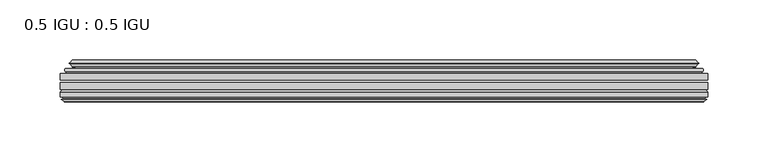
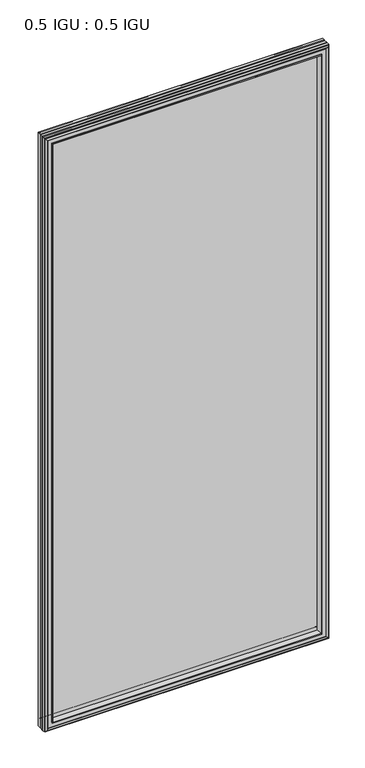
"""IFC4 building model written with IfcOpenShell, lengths in millimetres: plate geometry, 0.5 IGU : 0.5 IGU."""

from ifc_helpers import new_model, si_unit, frame, origin, place, context, project, spatial, polyline, ellipse_curve, outline, extrude, faceted_brep, source, transform, mapped, element, save
from ifc_brep_helpers import plane_surface, cylinder_surface, revolved_surface, advanced_brep


def plate_0_5_igu_0_5_igu_cbfe774d(model_context):
    return source(origin(), model_context, "Body", "SolidModel", [
        extrude(outline(polyline([(268.301675, -55.82285), (268.301675, -61.48705), (-268.2875, -61.48705), (-268.2875, -55.82285), (268.301675, -55.82285)])), frame((0.0, 0.0, -14.2875), z_axis=(0.0, 0.0, 1.0), x_axis=(1.0, 0.0, 0.0)), (0.0, 0.0, 1.0), 1184.2787979),
        extrude(outline(polyline([(-268.2875, -69.05625), (-268.2875, -63.39205), (268.301675, -63.39205), (268.301675, -69.05625), (-268.2875, -69.05625)])), frame((0.0, 0.0, -14.2875), z_axis=(0.0, 0.0, 1.0), x_axis=(1.0, 0.0, 0.0)), (0.0, 0.0, 1.0), 1184.2787979),
        advanced_brep(
        [(-264.1849626, -54.3724927, 1165.8849626), (-263.1404378, -51.60645, 1164.8404378), (-263.1404378, -51.60645, -9.1404378), (-264.1849626, -54.3724927, -10.1849626), (-262.548517, -55.82285, 1164.248517), (-262.548517, -55.82285, -8.548517), (-254.0, -45.63745, 1155.7), (-250.4172761, -55.82285, 1152.1172761), (-250.4172761, -55.82285, 3.5827239), (-254.0, -45.63745, 0.0), (-259.1859109, -46.8185491, 1160.8859109), (-259.1859109, -46.8185491, -5.1859109), (-258.3888893, -44.8183085, 1160.0888893), (-258.3888893, -44.8183085, -4.3888893), (-260.6726111, -47.135817, 1162.3726111), (-260.6726111, -47.135817, -6.6726111), (-260.6726111, -47.8489429, 1162.3726111), (-260.6726111, -47.8489429, -6.6726111), (-258.3888893, -50.1664515, 1160.0888893), (-258.3888893, -50.1664515, -4.3888893), (-259.1782501, -48.1854367, 1160.8782501), (-259.1782501, -48.1854367, -5.1782501), (-256.6544379, -48.027045, 1158.3544379), (-256.6544379, -48.027045, -2.6544379), (-255.6286217, -48.7147544, 1157.3286217), (-255.6286217, -48.7147544, -1.6286217), (-255.7470288, -50.1092231, 1157.4470288), (-255.7470288, -50.1092231, -1.7470288), (-256.3487748, -51.60645, 1158.0487748), (-256.3487748, -51.60645, -2.3487748), (263.1404378, -51.60645, -9.1404378), (264.1849626, -54.3724927, -10.1849626), (262.548517, -55.82285, -8.548517), (250.4172761, -55.82285, 3.5827239), (254.0, -45.63745, 0.0), (259.1859109, -46.8185491, -5.1859109), (258.3888893, -44.8183085, -4.3888893), (260.6726111, -47.135817, -6.6726111), (260.6726111, -47.8489429, -6.6726111), (258.3888893, -50.1664515, -4.3888893), (259.1782501, -48.1854367, -5.1782501), (256.6544379, -48.027045, -2.6544379), (255.6286217, -48.7147544, -1.6286217), (255.7470288, -50.1092231, -1.7470288), (256.3487748, -51.60645, -2.3487748), (263.1404378, -51.60645, 1164.8404378), (264.1849626, -54.3724927, 1165.8849626), (262.548517, -55.82285, 1164.248517), (250.4172761, -55.82285, 1152.1172761), (254.0, -45.63745, 1155.7), (259.1859109, -46.8185491, 1160.8859109), (258.3888893, -44.8183085, 1160.0888893), (260.6726111, -47.135817, 1162.3726111), (260.6726111, -47.8489429, 1162.3726111), (258.3888893, -50.1664515, 1160.0888893), (259.1782501, -48.1854367, 1160.8782501), (256.6544379, -48.027045, 1158.3544379), (255.6286217, -48.7147544, 1157.3286217), (255.7470288, -50.1092231, 1157.4470288), (256.3487748, -51.60645, 1158.0487748)],
        [
            (0, 1, ellipse_curve(frame((-263.1320703, -53.1898501, 1164.8320703), z_axis=(-0.7071067811865475, 0.0, -0.7071067811865475), x_axis=(-0.7071067811865474, 0.0, 0.7071067811865476)), 2.2392971, 1.5834222)),
            (1, 2),
            (2, 3, ellipse_curve(frame((-263.1320703, -53.1898501, -9.1320703), z_axis=(-0.7071067811865475, 0.0, 0.7071067811865475), x_axis=(0.7071067811865474, 0.0, 0.7071067811865476)), 2.2392971, 1.5834222)),
            (3, 0),
            (4, 0),
            (3, 5),
            (5, 4),
            (6, 7, ellipse_curve(frame((-221.720246, -40.0058297, 1123.420246), z_axis=(0.7071067811865475, 0.0, 0.7071067811865475), x_axis=(0.7071067811865474, 0.0, -0.7071067811865476)), 46.3399971, 32.7673262)),
            (7, 8),
            (8, 9, ellipse_curve(frame((-221.720246, -40.0058297, 32.279754), z_axis=(0.7071067811865475, 0.0, -0.7071067811865475), x_axis=(-0.7071067811865474, 0.0, -0.7071067811865476)), 46.3399971, 32.7673262)),
            (9, 6),
            (10, 6),
            (9, 11),
            (11, 10),
            (12, 10),
            (11, 13),
            (13, 12),
            (14, 12),
            (13, 15),
            (15, 14),
            (16, 14, ellipse_curve(frame((-260.3107729, -47.49238, 1162.0107729), z_axis=(-0.7071067811865475, 0.0, -0.7071067811865475), x_axis=(-0.7071067811865474, 0.0, 0.7071067811865476)), 0.7184205, 0.508)),
            (15, 17, ellipse_curve(frame((-260.3107729, -47.49238, -6.3107729), z_axis=(-0.7071067811865475, 0.0, 0.7071067811865475), x_axis=(0.7071067811865474, 0.0, 0.7071067811865476)), 0.7184205, 0.508)),
            (17, 16),
            (18, 16),
            (17, 19),
            (19, 18),
            (20, 18),
            (19, 21),
            (21, 20),
            (22, 20),
            (21, 23),
            (23, 22),
            (24, 22, ellipse_curve(frame((-256.5908, -49.04105, 1158.2908), z_axis=(0.7071067811865475, 0.0, 0.7071067811865475), x_axis=(0.7071067811865474, 0.0, -0.7071067811865476)), 1.436841, 1.016)),
            (23, 25, ellipse_curve(frame((-256.5908, -49.04105, -2.5908), z_axis=(0.7071067811865475, 0.0, -0.7071067811865475), x_axis=(-0.7071067811865474, 0.0, -0.7071067811865476)), 1.436841, 1.016)),
            (25, 24),
            (26, 24, ellipse_curve(frame((-257.9624, -49.21885, 1159.6624), z_axis=(0.7071067811865475, 0.0, 0.7071067811865475), x_axis=(0.7071067811865474, 0.0, -0.7071067811865476)), 3.3765763, 2.3876)),
            (25, 27, ellipse_curve(frame((-257.9624, -49.21885, -3.9624), z_axis=(0.7071067811865475, 0.0, -0.7071067811865475), x_axis=(-0.7071067811865474, 0.0, -0.7071067811865476)), 3.3765763, 2.3876)),
            (27, 26),
            (28, 26),
            (27, 29),
            (29, 28),
            (2, 30),
            (30, 31, ellipse_curve(frame((263.1320703, -53.1898501, -9.1320703), z_axis=(-0.7071067811865475, 0.0, -0.7071067811865475), x_axis=(-0.7071067811865476, 0.0, 0.7071067811865474)), 2.2392971, 1.5834222)),
            (31, 3),
            (31, 32),
            (32, 5),
            (8, 33),
            (33, 34, ellipse_curve(frame((221.720246, -40.0058297, 32.279754), z_axis=(0.7071067811865475, 0.0, 0.7071067811865475), x_axis=(0.7071067811865476, 0.0, -0.7071067811865474)), 46.3399971, 32.7673262)),
            (34, 9),
            (34, 35),
            (35, 11),
            (35, 36),
            (36, 13),
            (36, 37),
            (37, 15),
            (37, 38, ellipse_curve(frame((260.3107729, -47.49238, -6.3107729), z_axis=(-0.7071067811865475, 0.0, -0.7071067811865475), x_axis=(-0.7071067811865476, 0.0, 0.7071067811865474)), 0.7184205, 0.508)),
            (38, 17),
            (38, 39),
            (39, 19),
            (39, 40),
            (40, 21),
            (40, 41),
            (41, 23),
            (41, 42, ellipse_curve(frame((256.5908, -49.04105, -2.5908), z_axis=(0.7071067811865475, 0.0, 0.7071067811865475), x_axis=(0.7071067811865476, 0.0, -0.7071067811865474)), 1.436841, 1.016)),
            (42, 25),
            (42, 43, ellipse_curve(frame((257.9624, -49.21885, -3.9624), z_axis=(0.7071067811865475, 0.0, 0.7071067811865475), x_axis=(0.7071067811865476, 0.0, -0.7071067811865474)), 3.3765763, 2.3876)),
            (43, 27),
            (43, 44),
            (44, 29),
            (30, 45),
            (45, 46, ellipse_curve(frame((263.1320703, -53.1898501, 1164.8320703), z_axis=(0.7071067811865475, 0.0, -0.7071067811865475), x_axis=(-0.7071067811865474, 0.0, -0.7071067811865476)), 2.2392971, 1.5834222)),
            (46, 31),
            (46, 47),
            (47, 32),
            (33, 48),
            (48, 49, ellipse_curve(frame((221.720246, -40.0058297, 1123.420246), z_axis=(-0.7071067811865475, 0.0, 0.7071067811865475), x_axis=(0.7071067811865474, 0.0, 0.7071067811865476)), 46.3399971, 32.7673262)),
            (49, 34),
            (49, 50),
            (50, 35),
            (50, 51),
            (51, 36),
            (51, 52),
            (52, 37),
            (52, 53, ellipse_curve(frame((260.3107729, -47.49238, 1162.0107729), z_axis=(0.7071067811865475, 0.0, -0.7071067811865475), x_axis=(-0.7071067811865474, 0.0, -0.7071067811865476)), 0.7184205, 0.508)),
            (53, 38),
            (53, 54),
            (54, 39),
            (54, 55),
            (55, 40),
            (55, 56),
            (56, 41),
            (56, 57, ellipse_curve(frame((256.5908, -49.04105, 1158.2908), z_axis=(-0.7071067811865475, 0.0, 0.7071067811865475), x_axis=(0.7071067811865474, 0.0, 0.7071067811865476)), 1.436841, 1.016)),
            (57, 42),
            (57, 58, ellipse_curve(frame((257.9624, -49.21885, 1159.6624), z_axis=(-0.7071067811865475, 0.0, 0.7071067811865475), x_axis=(0.7071067811865474, 0.0, 0.7071067811865476)), 3.3765763, 2.3876)),
            (58, 43),
            (58, 59),
            (59, 44),
            (45, 1),
            (0, 46),
            (4, 47),
            (7, 48),
            (6, 49),
            (10, 50),
            (12, 51),
            (14, 52),
            (16, 53),
            (18, 54),
            (20, 55),
            (22, 56),
            (24, 57),
            (26, 58),
            (28, 59),
        ],
        [
            cylinder_surface(frame((-263.1320703, -53.1898501, 1187.45), z_axis=(0.0, 0.0, 1.0), x_axis=(-1.0, 0.0, 0.0)), 1.5834222),
            plane_surface(frame((-264.1849626, -54.3724927, 1165.8849626), z_axis=(-0.6632745773184306, -0.7483761320907135, 0.0), x_axis=(0.0, 0.0, -1.0))),
            revolved_surface(polyline([(-254.4875722, -40.0058297, -0.48757218957507575), (-254.4875722, -40.0058297, 1156.187572189575)]), (-221.720246, -40.0058297, 1187.45), (0.0, 0.0, -1.0)),
            plane_surface(frame((-254.0, -45.63745, 1155.7), z_axis=(-0.2220649844278743, 0.975031867525902, 0.0), x_axis=(0.0, 0.0, -1.0))),
            plane_surface(frame((-259.1859109, -46.8185491, 1160.8859109), z_axis=(0.928968268563027, -0.37015936568323066, 0.0), x_axis=(0.0, 0.0, -1.0))),
            plane_surface(frame((-258.3888893, -44.8183085, 1160.0888893), z_axis=(-0.7122798501733482, 0.7018955869907096, 0.0), x_axis=(0.0, 0.0, -1.0))),
            cylinder_surface(frame((-260.3107729, -47.49238, 1187.45), z_axis=(0.0, 0.0, 1.0), x_axis=(-1.0, 0.0, 0.0)), 0.508),
            plane_surface(frame((-260.6726111, -47.8489429, 1162.3726111), z_axis=(-0.7122798501732925, -0.701895586990766, 0.0), x_axis=(0.0, 0.0, -1.0))),
            plane_surface(frame((-258.3888893, -50.1664515, 1160.0888893), z_axis=(0.9289682685628707, 0.3701593656836228, 0.0), x_axis=(0.0, 0.0, -1.0))),
            plane_surface(frame((-259.1782501, -48.1854367, 1160.8782501), z_axis=(0.0626357011928498, -0.9980364567169279, 0.0), x_axis=(0.0, 0.0, -1.0))),
            revolved_surface(polyline([(-257.6068, -49.04105, -3.6068000145867245), (-257.6068, -49.04105, 1159.3068000145868)]), (-256.5908, -49.04105, 1187.45), (0.0, 0.0, -1.0)),
            revolved_surface(polyline([(-260.35, -49.21885, -6.3499999989237494), (-260.35, -49.21885, 1162.0499999989238)]), (-257.9624, -49.21885, 1187.45), (0.0, 0.0, -1.0)),
            plane_surface(frame((-255.7470288, -50.1092231, 1157.4470288), z_axis=(-0.9278652925428184, 0.3729155385532094, 0.0), x_axis=(0.0, 0.0, -1.0))),
            cylinder_surface(frame((-285.75, -53.1898501, -9.1320703), z_axis=(-1.0, 0.0, 0.0), x_axis=(0.0, 0.0, -1.0)), 1.5834222),
            plane_surface(frame((-264.1849626, -54.3724927, -10.1849626), z_axis=(0.0, -0.7483761320907157, -0.6632745773184283), x_axis=(1.0, 0.0, 0.0))),
            revolved_surface(polyline([(254.48757218957496, -40.0058297, -0.48757220000000245), (-254.48757218957493, -40.0058297, -0.48757220000000245)]), (-285.75, -40.0058297, 32.279754), (1.0, 0.0, 0.0)),
            plane_surface(frame((-254.0, -45.63745, 0.0), z_axis=(0.0, 0.9750318675259013, -0.22206498442787745), x_axis=(1.0, 0.0, 0.0))),
            plane_surface(frame((-259.1859109, -46.8185491, -5.1859109), z_axis=(0.0, -0.37015936568322766, 0.9289682685630283), x_axis=(1.0, 0.0, 0.0))),
            plane_surface(frame((-258.3888893, -44.8183085, -4.3888893), z_axis=(0.0, 0.7018955869907073, -0.7122798501733504), x_axis=(1.0, 0.0, 0.0))),
            cylinder_surface(frame((-285.75, -47.49238, -6.3107729), z_axis=(-1.0, 0.0, 0.0), x_axis=(0.0, 0.0, -1.0)), 0.508),
            plane_surface(frame((-260.6726111, -47.8489429, -6.6726111), z_axis=(0.0, -0.7018955869907684, -0.7122798501732903), x_axis=(1.0, 0.0, 0.0))),
            plane_surface(frame((-258.3888893, -50.1664515, -4.3888893), z_axis=(0.0, 0.37015936568362584, 0.9289682685628696), x_axis=(1.0, 0.0, 0.0))),
            plane_surface(frame((-259.1782501, -48.1854367, -5.1782501), z_axis=(0.0, -0.9980364567169276, 0.06263570119285301), x_axis=(1.0, 0.0, 0.0))),
            revolved_surface(polyline([(257.60680001458684, -49.04105, -3.6068000000000002), (-257.60680001458684, -49.04105, -3.6068000000000002)]), (-285.75, -49.04105, -2.5908), (1.0, 0.0, 0.0)),
            revolved_surface(polyline([(260.34999999892375, -49.21885, -6.35), (-260.3499999989238, -49.21885, -6.35)]), (-285.75, -49.21885, -3.9624), (1.0, 0.0, 0.0)),
            plane_surface(frame((-255.7470288, -50.1092231, -1.7470288), z_axis=(0.0, 0.3729155385532064, -0.9278652925428196), x_axis=(1.0, 0.0, 0.0))),
            cylinder_surface(frame((263.1320703, -53.1898501, -31.75), z_axis=(0.0, 0.0, -1.0), x_axis=(1.0, 0.0, 0.0)), 1.5834222),
            plane_surface(frame((264.1849626, -54.3724927, -10.1849626), z_axis=(0.6632745773184259, -0.7483761320907178, 0.0), x_axis=(0.0, 0.0, 1.0))),
            revolved_surface(polyline([(254.4875722, -40.0058297, 1156.187572189575), (254.4875722, -40.0058297, -0.48757218957494075)]), (221.720246, -40.0058297, -31.75), (0.0, 0.0, 1.0)),
            plane_surface(frame((254.0, -45.63745, 0.0), z_axis=(0.22206498442788056, 0.9750318675259005, 0.0), x_axis=(0.0, 0.0, 1.0))),
            plane_surface(frame((259.1859109, -46.8185491, -5.1859109), z_axis=(-0.9289682685630295, -0.37015936568322466, 0.0), x_axis=(0.0, 0.0, 1.0))),
            plane_surface(frame((258.3888893, -44.8183085, -4.3888893), z_axis=(0.7122798501733526, 0.701895586990705, 0.0), x_axis=(0.0, 0.0, 1.0))),
            cylinder_surface(frame((260.3107729, -47.49238, -31.75), z_axis=(0.0, 0.0, -1.0), x_axis=(1.0, 0.0, 0.0)), 0.508),
            plane_surface(frame((260.6726111, -47.8489429, -6.6726111), z_axis=(0.712279850173288, -0.7018955869907706, 0.0), x_axis=(0.0, 0.0, 1.0))),
            plane_surface(frame((258.3888893, -50.1664515, -4.3888893), z_axis=(-0.9289682685628684, 0.37015936568362884, 0.0), x_axis=(0.0, 0.0, 1.0))),
            plane_surface(frame((259.1782501, -48.1854367, -5.1782501), z_axis=(-0.06263570119285623, -0.9980364567169274, 0.0), x_axis=(0.0, 0.0, 1.0))),
            revolved_surface(polyline([(257.6068, -49.04105, 1159.3068000145868), (257.6068, -49.04105, -3.606800014586863)]), (256.5908, -49.04105, -31.75), (0.0, 0.0, 1.0)),
            revolved_surface(polyline([(260.35, -49.21885, 1162.0499999989238), (260.35, -49.21885, -6.349999998923781)]), (257.9624, -49.21885, -31.75), (0.0, 0.0, 1.0)),
            plane_surface(frame((255.7470288, -50.1092231, -1.7470288), z_axis=(0.9278652925428208, 0.3729155385532034, 0.0), x_axis=(0.0, 0.0, 1.0))),
            cylinder_surface(frame((285.75, -53.1898501, 1164.8320703), z_axis=(1.0, 0.0, 0.0), x_axis=(0.0, 0.0, 1.0)), 1.5834222),
            plane_surface(frame((264.1849626, -54.3724927, 1165.8849626), z_axis=(0.0, -0.7483761320907157, 0.6632745773184283), x_axis=(-1.0, 0.0, 0.0))),
            plane_surface(frame((262.548517, -55.82285, 1164.248517), z_axis=(0.0, -1.0, 0.0), x_axis=(-1.0, 0.0, 0.0))),
            revolved_surface(polyline([(-254.48757218957496, -40.0058297, 1156.1875722), (254.48757218957493, -40.0058297, 1156.1875722)]), (285.75, -40.0058297, 1123.420246), (-1.0, 0.0, 0.0)),
            plane_surface(frame((254.0, -45.63745, 1155.7), z_axis=(0.0, 0.9750318675259012, 0.22206498442787742), x_axis=(-1.0, 0.0, 0.0))),
            plane_surface(frame((259.1859109, -46.8185491, 1160.8859109), z_axis=(0.0, -0.37015936568322766, -0.9289682685630283), x_axis=(-1.0, 0.0, 0.0))),
            plane_surface(frame((258.3888893, -44.8183085, 1160.0888893), z_axis=(0.0, 0.7018955869907073, 0.7122798501733504), x_axis=(-1.0, 0.0, 0.0))),
            cylinder_surface(frame((285.75, -47.49238, 1162.0107729), z_axis=(1.0, 0.0, 0.0), x_axis=(0.0, 0.0, 1.0)), 0.508),
            plane_surface(frame((260.6726111, -47.8489429, 1162.3726111), z_axis=(0.0, -0.7018955869907684, 0.7122798501732903), x_axis=(-1.0, 0.0, 0.0))),
            plane_surface(frame((258.3888893, -50.1664515, 1160.0888893), z_axis=(0.0, 0.37015936568362584, -0.9289682685628696), x_axis=(-1.0, 0.0, 0.0))),
            plane_surface(frame((259.1782501, -48.1854367, 1160.8782501), z_axis=(0.0, -0.9980364567169276, -0.06263570119285301), x_axis=(-1.0, 0.0, 0.0))),
            revolved_surface(polyline([(-257.60680001458684, -49.04105, 1159.3068), (257.60680001458684, -49.04105, 1159.3068)]), (285.75, -49.04105, 1158.2908), (-1.0, 0.0, 0.0)),
            revolved_surface(polyline([(-260.34999999892375, -49.21885, 1162.05), (260.3499999989238, -49.21885, 1162.05)]), (285.75, -49.21885, 1159.6624), (-1.0, 0.0, 0.0)),
            plane_surface(frame((255.7470288, -50.1092231, 1157.4470288), z_axis=(0.0, 0.3729155385532064, 0.9278652925428196), x_axis=(-1.0, 0.0, 0.0))),
            plane_surface(frame((256.3487748, -51.60645, 1158.0487748), z_axis=(0.0, 1.0, 0.0), x_axis=(-1.0, 0.0, 0.0))),
        ],
        [
            (0, [[1, 2, 3, 4]]),
            (1, [[5, -4, 6, 7]]),
            (2, [[8, 9, 10, 11]]),
            (3, [[12, -11, 13, 14]]),
            (4, [[15, -14, 16, 17]]),
            (5, [[18, -17, 19, 20]]),
            (6, [[21, -20, 22, 23]]),
            (7, [[24, -23, 25, 26]]),
            (8, [[27, -26, 28, 29]]),
            (9, [[30, -29, 31, 32]]),
            (10, [[33, -32, 34, 35]]),
            (11, [[36, -35, 37, 38]]),
            (12, [[39, -38, 40, 41]]),
            (13, [[-3, 42, 43, 44]]),
            (14, [[-6, -44, 45, 46]]),
            (15, [[-10, 47, 48, 49]]),
            (16, [[-13, -49, 50, 51]]),
            (17, [[-16, -51, 52, 53]]),
            (18, [[-19, -53, 54, 55]]),
            (19, [[-22, -55, 56, 57]]),
            (20, [[-25, -57, 58, 59]]),
            (21, [[-28, -59, 60, 61]]),
            (22, [[-31, -61, 62, 63]]),
            (23, [[-34, -63, 64, 65]]),
            (24, [[-37, -65, 66, 67]]),
            (25, [[-40, -67, 68, 69]]),
            (26, [[-43, 70, 71, 72]]),
            (27, [[-45, -72, 73, 74]]),
            (28, [[-48, 75, 76, 77]]),
            (29, [[-50, -77, 78, 79]]),
            (30, [[-52, -79, 80, 81]]),
            (31, [[-54, -81, 82, 83]]),
            (32, [[-56, -83, 84, 85]]),
            (33, [[-58, -85, 86, 87]]),
            (34, [[-60, -87, 88, 89]]),
            (35, [[-62, -89, 90, 91]]),
            (36, [[-64, -91, 92, 93]]),
            (37, [[-66, -93, 94, 95]]),
            (38, [[-68, -95, 96, 97]]),
            (39, [[-71, 98, -1, 99]]),
            (40, [[-73, -99, -5, 100]]),
            (41, [[-46, -74, -100, -7], [101, -75, -47, -9]]),
            (42, [[-76, -101, -8, 102]]),
            (43, [[-78, -102, -12, 103]]),
            (44, [[-80, -103, -15, 104]]),
            (45, [[-82, -104, -18, 105]]),
            (46, [[-84, -105, -21, 106]]),
            (47, [[-86, -106, -24, 107]]),
            (48, [[-88, -107, -27, 108]]),
            (49, [[-90, -108, -30, 109]]),
            (50, [[-92, -109, -33, 110]]),
            (51, [[-94, -110, -36, 111]]),
            (52, [[-96, -111, -39, 112]]),
            (53, [[-98, -70, -42, -2], [-69, -97, -112, -41]]),
        ],
    ),
        faceted_brep([(-250.1457827, -69.05625, 1151.8457827), (-252.7120798, -77.94625, 1154.4120798), (-252.7120798, -77.94625, 1.2879202), (-250.1457827, -69.05625, 3.8542173), (-268.3002, -71.2633102, 1170.0002), (-266.0931398, -69.05625, 1167.7931398), (-266.0931398, -69.05625, -12.0931398), (-268.3002, -71.2633102, -14.3002), (-268.3002, -75.40625, 1170.0002), (-268.3002, -75.40625, -14.3002), (-265.8811775, -76.58989, 1167.5811775), (-266.7508, -75.40625, 1168.4508), (-266.7508, -75.40625, -12.7508), (-265.8811775, -76.58989, -11.8811775), (-265.684, -77.8875884, 1167.384), (-265.684, -77.8875884, -11.684), (-266.65966, -77.3578917, 1168.35966), (-266.65966, -77.3578917, -12.65966), (-265.1252, -79.1749663, 1166.8252), (-267.4523305, -77.3578917, 1169.1523305), (-267.4523305, -77.3578917, -13.4523305), (-265.1252, -79.1749663, -11.1252), (-262.7980695, -77.3578917, 1164.4980695), (-262.7980695, -77.3578917, -8.7980695), (-264.5664, -77.8875884, 1166.2664), (-263.59074, -77.3578917, 1165.29074), (-263.59074, -77.3578917, -9.59074), (-264.5664, -77.8875884, -10.5664), (-264.3692225, -76.58989, 1166.0692225), (-264.3692225, -76.58989, -10.3692225), (-263.4996, -75.40625, 1165.1996), (-263.4996, -75.40625, -9.4996), (-254.3513667, -77.94625, 1156.0513667), (-253.8222, -75.40625, 1155.5222), (-253.8222, -75.40625, 0.1778), (-254.3513667, -77.94625, -0.3513667), (252.7120798, -77.94625, 1.2879202), (250.1457827, -69.05625, 3.8542173), (266.0931398, -69.05625, -12.0931398), (268.3002, -71.2633102, -14.3002), (268.3002, -75.40625, -14.3002), (266.7508, -75.40625, -12.7508), (265.8811775, -76.58989, -11.8811775), (265.684, -77.8875884, -11.684), (266.65966, -77.3578917, -12.65966), (267.4523305, -77.3578917, -13.4523305), (265.1252, -79.1749663, -11.1252), (262.7980695, -77.3578917, -8.7980695), (263.59074, -77.3578917, -9.59074), (264.5664, -77.8875884, -10.5664), (264.3692225, -76.58989, -10.3692225), (263.4996, -75.40625, -9.4996), (253.8222, -75.40625, 0.1778), (254.3513667, -77.94625, -0.3513667), (252.7120798, -77.94625, 1154.4120798), (250.1457827, -69.05625, 1151.8457827), (266.0931398, -69.05625, 1167.7931398), (268.3002, -71.2633102, 1170.0002), (268.3002, -75.40625, 1170.0002), (266.7508, -75.40625, 1168.4508), (265.8811775, -76.58989, 1167.5811775), (265.684, -77.8875884, 1167.384), (266.65966, -77.3578917, 1168.35966), (267.4523305, -77.3578917, 1169.1523305), (265.1252, -79.1749663, 1166.8252), (262.7980695, -77.3578917, 1164.4980695), (263.59074, -77.3578917, 1165.29074), (264.5664, -77.8875884, 1166.2664), (264.3692225, -76.58989, 1166.0692225), (263.4996, -75.40625, 1165.1996), (253.8222, -75.40625, 1155.5222), (254.3513667, -77.94625, 1156.0513667)], [[[0, 1, 2, 3]], [[4, 5, 6, 7]], [[8, 4, 7, 9]], [[10, 11, 12, 13]], [[14, 10, 13, 15]], [[16, 14, 15, 17]], [[18, 19, 20, 21]], [[22, 18, 21, 23]], [[24, 25, 26, 27]], [[28, 24, 27, 29]], [[30, 28, 29, 31]], [[32, 33, 34, 35]], [[3, 2, 36, 37]], [[7, 6, 38, 39]], [[9, 7, 39, 40]], [[13, 12, 41, 42]], [[15, 13, 42, 43]], [[17, 15, 43, 44]], [[21, 20, 45, 46]], [[23, 21, 46, 47]], [[27, 26, 48, 49]], [[29, 27, 49, 50]], [[31, 29, 50, 51]], [[35, 34, 52, 53]], [[37, 36, 54, 55]], [[39, 38, 56, 57]], [[40, 39, 57, 58]], [[42, 41, 59, 60]], [[43, 42, 60, 61]], [[44, 43, 61, 62]], [[46, 45, 63, 64]], [[47, 46, 64, 65]], [[49, 48, 66, 67]], [[50, 49, 67, 68]], [[51, 50, 68, 69]], [[53, 52, 70, 71]], [[55, 54, 1, 0]], [[5, 56, 38, 6], [3, 37, 55, 0]], [[57, 56, 5, 4]], [[58, 57, 4, 8]], [[9, 40, 58, 8], [11, 59, 41, 12]], [[60, 59, 11, 10]], [[61, 60, 10, 14]], [[62, 61, 14, 16]], [[19, 63, 45, 20], [17, 44, 62, 16]], [[64, 63, 19, 18]], [[65, 64, 18, 22]], [[25, 66, 48, 26], [23, 47, 65, 22]], [[67, 66, 25, 24]], [[68, 67, 24, 28]], [[69, 68, 28, 30]], [[31, 51, 69, 30], [33, 70, 52, 34]], [[71, 70, 33, 32]], [[35, 53, 71, 32], [1, 54, 36, 2]]]),
    ])


if __name__ == "__main__":
    model = new_model("IFC4")
    model_context = context("Model", 3, world=origin())
    ifc_project = project(units=[si_unit("LENGTHUNIT", "METRE", prefix="MILLI")], contexts=[model_context])
    site = spatial("IfcSite", under=ifc_project)
    building = spatial("IfcBuilding", under=site)
    placement = place(None, origin())
    plate_0_5_igu_0_5_igu_shape = plate_0_5_igu_0_5_igu_cbfe774d(model_context)
    element("IfcPlate", 1, ObjectType="0.5 IGU : 0.5 IGU", at=placement, inside=building, context=model_context, shape_type="MappedRepresentation", body=[
        mapped(plate_0_5_igu_0_5_igu_shape, transform((0.0, 0.0, 0.0), x_axis=(1.0, 0.0, 0.0), y_axis=(0.0, 1.0, 0.0), z_axis=(0.0, 0.0, 1.0))),
    ])
    save(model, "model.ifc")
